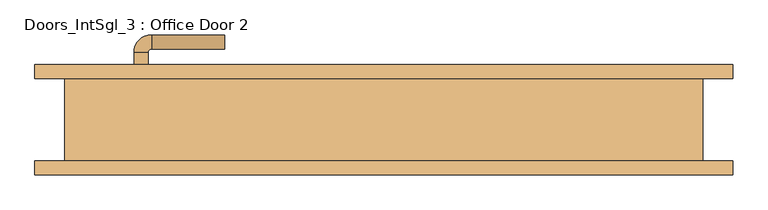
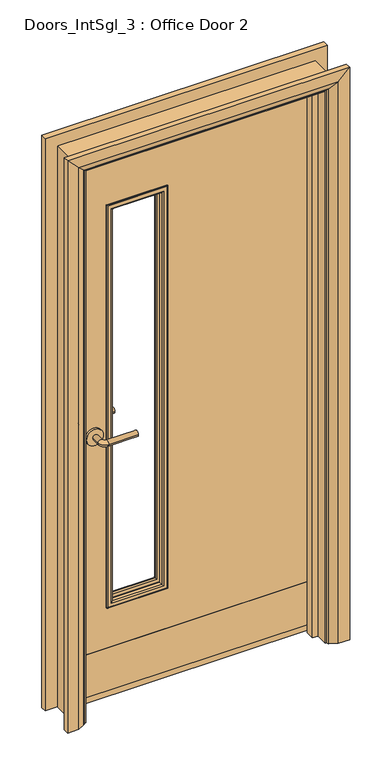
"""IFC4 building model written with IfcOpenShell, lengths in millimetres: door geometry, Doors_IntSgl_3 : Office Door 2."""

from ifc_helpers import new_model, si_unit, point, frame, frame_2d, origin, place, context, project, spatial, polyline, circle_curve, ellipse_curve, trimmed, segment, composite_curve, outline, extrude, faceted_brep, source, transform, mapped, element, save
from ifc_brep_helpers import plane_surface, cylinder_surface, revolved_surface, advanced_brep


def doors_intsgl_3_office_door_2_c34ecb24(model_context):
    return source(origin(), model_context, "Body", "SolidModel", [
        advanced_brep(
        [(-358.0, 13.0, 1000.0), (-338.0, 13.0, 1000.0), (-338.0, -17.0, 1000.0), (-358.0, -17.0, 1000.0), (-333.0, -22.0, 1000.0), (-333.0, -42.0, 1000.0), (-228.0, -42.0, 1000.0), (-228.0, -22.0, 1000.0)],
        [
            (0, 1, circle_curve(frame((-348.0, 13.0, 1000.0), z_axis=(0.0, 1.0, 0.0), x_axis=(1.0, 0.0, 0.0)), 10.0)),
            (1, 0, circle_curve(frame((-348.0, 13.0, 1000.0), z_axis=(0.0, 1.0, 0.0), x_axis=(1.0, 0.0, 0.0)), 10.0)),
            (1, 2),
            (2, 3, circle_curve(frame((-348.0, -17.0, 1000.0), z_axis=(0.0, 1.0, 0.0), x_axis=(1.0, 0.0, 0.0)), 10.0)),
            (3, 0),
            (3, 2, circle_curve(frame((-348.0, -17.0, 1000.0), z_axis=(0.0, 1.0, 0.0), x_axis=(1.0, 0.0, 0.0)), 10.0)),
            (4, 5, circle_curve(frame((-333.0, -32.0, 1000.0), z_axis=(-1.0, 0.0, 0.0), x_axis=(0.0, 1.0, 0.0)), 10.0)),
            (5, 3, circle_curve(frame((-333.0, -17.0, 1000.0), z_axis=(0.0, 0.0, -1.0), x_axis=(-1.0, 0.0, 0.0)), 25.0)),
            (2, 4, circle_curve(frame((-333.0, -17.0, 1000.0), z_axis=(0.0, 0.0, 1.0), x_axis=(-1.0, 0.0, 0.0)), 5.0)),
            (5, 4, circle_curve(frame((-333.0, -32.0, 1000.0), z_axis=(-1.0, 0.0, 0.0), x_axis=(0.0, 1.0, 0.0)), 10.0)),
            (6, 7, circle_curve(frame((-228.0, -32.0, 1000.0), z_axis=(1.0, 0.0, 0.0), x_axis=(0.0, 1.0, 0.0)), 10.0)),
            (7, 6, circle_curve(frame((-228.0, -32.0, 1000.0), z_axis=(1.0, 0.0, 0.0), x_axis=(0.0, 1.0, 0.0)), 10.0)),
            (4, 7),
            (6, 5),
        ],
        [
            plane_surface(frame((-348.0, 13.0, 1000.0), z_axis=(0.0, 1.0, 0.0), x_axis=(0.0, 0.0, 1.0))),
            cylinder_surface(frame((-348.0, 13.0, 1000.0), z_axis=(0.0, 1.0, 0.0), x_axis=(1.0, 0.0, 0.0)), 10.0),
            revolved_surface(trimmed(ellipse_curve(frame((-348.0, -17.0, 1000.0), z_axis=(0.0, -1.0, 0.0), x_axis=(1.0, 0.0, 0.0)), 10.0, 10.0), [point((-358.0, -17.0, 1000.0))], [point((-338.0, -17.0, 1000.0))], True, "CARTESIAN"), (-333.0, -17.0, 1000.0), (0.0, 0.0, -1.0)),
            revolved_surface(trimmed(ellipse_curve(frame((-348.0, -17.0, 1000.0), z_axis=(0.0, -1.0, 0.0), x_axis=(1.0, 0.0, 0.0)), 10.0, 10.0), [point((-338.0, -17.0, 1000.0))], [point((-358.0, -17.0, 1000.0))], True, "CARTESIAN"), (-333.0, -17.0, 1000.0), (0.0, 0.0, -1.0)),
            plane_surface(frame((-228.0, -32.0, 1000.0), z_axis=(1.0, 0.0, 0.0), x_axis=(0.0, 0.0, 1.0))),
            cylinder_surface(frame((-333.0, -32.0, 1000.0), z_axis=(-1.0, 0.0, 0.0), x_axis=(0.0, 1.0, 0.0)), 10.0),
        ],
        [
            (0, [[1, 2]]),
            (1, [[3, 4, 5, -2]]),
            (1, [[-5, 6, -3, -1]]),
            (2, [[7, 8, -4, 9]]),
            (3, [[10, -9, -6, -8]]),
            (4, [[11, 12]]),
            (5, [[13, -11, 14, -7]]),
            (5, [[-14, -12, -13, -10]]),
        ],
    ),
        extrude(outline(composite_curve([segment(trimmed(circle_curve(frame_2d((1000.0, -350.5)), 30.0), [point((1000.0, -380.5))], [point((1000.0, -320.5))], False, "CARTESIAN"), True, "CONTINUOUS"), segment(trimmed(circle_curve(frame_2d((1000.0, -350.5)), 30.0), [point((1000.0, -320.5))], [point((1000.0, -380.5))], False, "CARTESIAN"), True, "CONTINUOUS")], self_intersect=False)), frame((0.0, 13.0, 0.0), z_axis=(0.0, 1.0, 0.0), x_axis=(0.0, 0.0, 1.0)), (0.0, 0.0, 1.0), 8.0),
        advanced_brep(
        [(-358.0, 67.0, 1000.0), (-338.0, 67.0, 1000.0), (-358.0, 97.0, 1000.0), (-338.0, 97.0, 1000.0), (-333.0, 102.0, 1000.0), (-333.0, 122.0, 1000.0), (-228.0, 122.0, 1000.0), (-228.0, 102.0, 1000.0)],
        [
            (0, 1, circle_curve(frame((-348.0, 67.0, 1000.0), z_axis=(0.0, -1.0, 0.0), x_axis=(1.0, 0.0, 0.0)), 10.0)),
            (1, 0, circle_curve(frame((-348.0, 67.0, 1000.0), z_axis=(0.0, -1.0, 0.0), x_axis=(1.0, 0.0, 0.0)), 10.0)),
            (0, 2),
            (2, 3, circle_curve(frame((-348.0, 97.0, 1000.0), z_axis=(0.0, -1.0, 0.0), x_axis=(1.0, 0.0, 0.0)), 10.0)),
            (3, 1),
            (3, 2, circle_curve(frame((-348.0, 97.0, 1000.0), z_axis=(0.0, -1.0, 0.0), x_axis=(1.0, 0.0, 0.0)), 10.0)),
            (4, 3, circle_curve(frame((-333.0, 97.0, 1000.0), z_axis=(0.0, 0.0, 1.0), x_axis=(-1.0, 0.0, 0.0)), 5.0)),
            (2, 5, circle_curve(frame((-333.0, 97.0, 1000.0), z_axis=(0.0, 0.0, -1.0), x_axis=(-1.0, 0.0, 0.0)), 25.0)),
            (5, 4, circle_curve(frame((-333.0, 112.0, 1000.0), z_axis=(-1.0, 0.0, 0.0), x_axis=(0.0, -1.0, 0.0)), 10.0)),
            (4, 5, circle_curve(frame((-333.0, 112.0, 1000.0), z_axis=(-1.0, 0.0, 0.0), x_axis=(0.0, -1.0, 0.0)), 10.0)),
            (6, 7, circle_curve(frame((-228.0, 112.0, 1000.0), z_axis=(1.0, 0.0, 0.0), x_axis=(0.0, -1.0, 0.0)), 10.0)),
            (7, 6, circle_curve(frame((-228.0, 112.0, 1000.0), z_axis=(1.0, 0.0, 0.0), x_axis=(0.0, -1.0, 0.0)), 10.0)),
            (5, 6),
            (7, 4),
        ],
        [
            plane_surface(frame((-348.0, 67.0, 1000.0), z_axis=(0.0, -1.0, 0.0), x_axis=(0.0, 0.0, 1.0))),
            cylinder_surface(frame((-348.0, 67.0, 1000.0), z_axis=(0.0, -1.0, 0.0), x_axis=(1.0, 0.0, 0.0)), 10.0),
            revolved_surface(trimmed(ellipse_curve(frame((-348.0, 97.0, 1000.0), z_axis=(0.0, -1.0, 0.0), x_axis=(1.0, 0.0, 0.0)), 10.0, 10.0), [point((-358.0, 97.0, 1000.0))], [point((-338.0, 97.0, 1000.0))], True, "CARTESIAN"), (-333.0, 97.0, 1000.0), (0.0, 0.0, -1.0)),
            revolved_surface(trimmed(ellipse_curve(frame((-348.0, 97.0, 1000.0), z_axis=(0.0, -1.0, 0.0), x_axis=(1.0, 0.0, 0.0)), 10.0, 10.0), [point((-338.0, 97.0, 1000.0))], [point((-358.0, 97.0, 1000.0))], True, "CARTESIAN"), (-333.0, 97.0, 1000.0), (0.0, 0.0, -1.0)),
            plane_surface(frame((-228.0, 112.0, 1000.0), z_axis=(1.0, 0.0, 0.0), x_axis=(0.0, 0.0, 1.0))),
            cylinder_surface(frame((-333.0, 112.0, 1000.0), z_axis=(-1.0, 0.0, 0.0), x_axis=(0.0, -1.0, 0.0)), 10.0),
        ],
        [
            (0, [[1, 2]]),
            (1, [[-1, 3, 4, 5]]),
            (1, [[-2, -5, 6, -3]]),
            (2, [[7, -4, 8, 9]]),
            (3, [[-8, -6, -7, 10]]),
            (4, [[11, 12]]),
            (5, [[-9, 13, -12, 14]]),
            (5, [[-10, -14, -11, -13]]),
        ],
    ),
        extrude(outline(composite_curve([segment(trimmed(circle_curve(frame_2d((1000.0, -350.5)), 30.0), [point((1000.0, -380.5))], [point((1000.0, -320.5))], False, "CARTESIAN"), True, "CONTINUOUS"), segment(trimmed(circle_curve(frame_2d((1000.0, -350.5)), 30.0), [point((1000.0, -320.5))], [point((1000.0, -380.5))], False, "CARTESIAN"), True, "CONTINUOUS")], self_intersect=False)), frame((0.0, 59.0, 0.0), z_axis=(0.0, 1.0, 0.0), x_axis=(0.0, 0.0, 1.0)), (0.0, 0.0, 1.0), 8.0),
        extrude(outline(polyline([(2068.0, -423.0), (8.0, -423.0), (8.0, 423.0), (2068.0, 423.0), (2068.0, -423.0)]), holes=[polyline([(1843.0, -98.0), (350.0, -98.0), (350.0, -298.0), (1843.0, -298.0), (1843.0, -98.0)])]), frame((0.0, 21.0, 0.0), z_axis=(0.0, 1.0, 0.0), x_axis=(0.0, 0.0, 1.0)), (0.0, 0.0, 1.0), 38.0),
        advanced_brep(
        [(500.0, 79.0, 0.0), (500.0, 59.0, 0.0), (430.0, 59.0, 0.0), (434.0, 65.0, 0.0), (460.0, 79.0, 0.0), (500.0, 79.0, 2145.0), (500.0, 59.0, 2145.0), (-500.0, 59.0, 2145.0), (-500.0, 59.0, 0.0), (-430.0, 59.0, 0.0), (-430.0, 59.0, 2075.0), (430.0, 59.0, 2075.0), (434.0, 65.0, 2079.0), (460.0, 79.0, 2105.0), (-460.0, 79.0, 2105.0), (-460.0, 79.0, 0.0), (-500.0, 79.0, 0.0), (-500.0, 79.0, 2145.0), (-434.0, 65.0, 0.0), (-434.0, 65.0, 2079.0)],
        [
            (0, 1),
            (1, 2),
            (2, 3, circle_curve(frame((438.0, 58.0, 0.0), z_axis=(0.0, 0.0, -1.0), x_axis=(1.0, 0.0, 0.0)), 8.0622577)),
            (3, 4),
            (4, 0),
            (0, 5),
            (5, 6),
            (6, 1),
            (6, 7),
            (7, 8),
            (8, 9),
            (9, 10),
            (10, 11),
            (11, 2),
            (11, 12, ellipse_curve(frame((438.0, 58.0, 2083.0), z_axis=(0.7071067811865475, 0.0, -0.7071067811865475), x_axis=(-0.7071067811865474, 0.0, -0.7071067811865476)), 11.4017543, 8.0622577)),
            (12, 3),
            (12, 13),
            (13, 4),
            (13, 14),
            (14, 15),
            (15, 16),
            (16, 17),
            (17, 5),
            (7, 17),
            (16, 8),
            (15, 18),
            (18, 9, circle_curve(frame((-438.0, 58.0, 0.0), z_axis=(0.0, 0.0, -1.0), x_axis=(-1.0, 0.0, 0.0)), 8.0622577)),
            (19, 10, ellipse_curve(frame((-438.0, 58.0, 2083.0), z_axis=(-0.7071067811865475, 0.0, -0.7071067811865475), x_axis=(-0.7071067811865474, 0.0, 0.7071067811865476)), 11.4017543, 8.0622577)),
            (18, 19),
            (14, 19),
            (19, 12),
        ],
        [
            plane_surface(frame((430.0, 59.0, 0.0), z_axis=(0.0, 0.0, -1.0), x_axis=(0.0, -1.0, 0.0))),
            plane_surface(frame((500.0, 79.0, 0.0), z_axis=(1.0, 0.0, 0.0), x_axis=(0.0, 0.0, 1.0))),
            plane_surface(frame((500.0, 59.0, 0.0), z_axis=(0.0, -1.0, 0.0), x_axis=(0.0, 0.0, 1.0))),
            cylinder_surface(frame((438.0, 58.0, 0.0), z_axis=(0.0, 0.0, -1.0), x_axis=(1.0, 0.0, 0.0)), 8.0622577),
            plane_surface(frame((434.0, 65.0, 0.0), z_axis=(-0.4740998230350126, 0.8804710999221779, 0.0), x_axis=(0.0, 0.0, 1.0))),
            plane_surface(frame((460.0, 79.0, 0.0), z_axis=(0.0, 1.0, 0.0), x_axis=(0.0, 0.0, 1.0))),
            plane_surface(frame((-500.0, 79.0, 2145.0), z_axis=(-1.0, 0.0, 0.0), x_axis=(0.0, 0.0, -1.0))),
            plane_surface(frame((-430.0, 59.0, 0.0), z_axis=(0.0, 0.0, -1.0), x_axis=(0.0, -1.0, 0.0))),
            cylinder_surface(frame((-438.0, 58.0, 2075.0), z_axis=(0.0, 0.0, 1.0), x_axis=(-1.0, 0.0, 0.0)), 8.0622577),
            plane_surface(frame((-434.0, 65.0, 2079.0), z_axis=(0.4740998230350183, 0.8804710999221749, 0.0), x_axis=(0.0, 0.0, -1.0))),
            plane_surface(frame((500.0, 79.0, 2145.0), z_axis=(0.0, 0.0, 1.0), x_axis=(-1.0, 0.0, 0.0))),
            cylinder_surface(frame((430.0, 58.0, 2083.0), z_axis=(1.0, 0.0, 0.0), x_axis=(0.0, 0.0, 1.0)), 8.0622577),
            plane_surface(frame((434.0, 65.0, 2079.0), z_axis=(0.0, 0.8804710999221763, -0.4740998230350154), x_axis=(-1.0, 0.0, 0.0))),
        ],
        [
            (0, [[1, 2, 3, 4, 5]]),
            (1, [[-1, 6, 7, 8]]),
            (2, [[-2, -8, 9, 10, 11, 12, 13, 14]]),
            (3, [[-3, -14, 15, 16]]),
            (4, [[-4, -16, 17, 18]]),
            (5, [[-5, -18, 19, 20, 21, 22, 23, -6]]),
            (6, [[24, -22, 25, -10]]),
            (7, [[-21, 26, 27, -11, -25]]),
            (8, [[28, -12, -27, 29]]),
            (9, [[30, -29, -26, -20]]),
            (10, [[-7, -23, -24, -9]]),
            (11, [[-15, -13, -28, 31]]),
            (12, [[-17, -31, -30, -19]]),
        ],
    ),
        extrude(outline(polyline([(0.0, -425.0), (0.0, -406.0), (2051.0, -406.0), (2051.0, 406.0), (0.0, 406.0), (0.0, 425.0), (2070.0, 425.0), (2070.0, -425.0), (0.0, -425.0)])), frame((0.0, -13.0, 0.0), z_axis=(0.0, 1.0, 0.0), x_axis=(0.0, 0.0, 1.0)), (0.0, 0.0, 1.0), 32.0),
        advanced_brep(
        [(-500.0, -79.0, 0.0), (-500.0, -59.0, 0.0), (-430.0, -59.0, 0.0), (-434.0, -65.0, 0.0), (-460.0, -79.0, 0.0), (-500.0, -79.0, 2145.0), (-500.0, -59.0, 2145.0), (-430.0, -59.0, 2075.0), (-434.0, -65.0, 2079.0), (-460.0, -79.0, 2105.0), (500.0, -79.0, 0.0), (460.0, -79.0, 0.0), (434.0, -65.0, 0.0), (430.0, -59.0, 0.0), (500.0, -59.0, 0.0), (500.0, -79.0, 2145.0), (460.0, -79.0, 2105.0), (434.0, -65.0, 2079.0), (430.0, -59.0, 2075.0), (500.0, -59.0, 2145.0)],
        [
            (0, 1),
            (1, 2),
            (2, 3, circle_curve(frame((-438.0, -58.0, 0.0), z_axis=(0.0, 0.0, -1.0), x_axis=(-1.0, 0.0, 0.0)), 8.0622577)),
            (3, 4),
            (4, 0),
            (0, 5),
            (5, 6),
            (6, 1),
            (6, 7),
            (7, 2),
            (7, 8, ellipse_curve(frame((-438.0, -58.0, 2083.0), z_axis=(-0.7071067811865475, 0.0, -0.7071067811865475), x_axis=(0.7071067811865474, 0.0, -0.7071067811865476)), 11.4017543, 8.0622577)),
            (8, 3),
            (8, 9),
            (9, 4),
            (9, 5),
            (10, 11),
            (11, 12),
            (12, 13, circle_curve(frame((438.0, -58.0, 0.0), z_axis=(0.0, 0.0, -1.0), x_axis=(1.0, 0.0, 0.0)), 8.0622577)),
            (13, 14),
            (14, 10),
            (15, 16),
            (16, 11),
            (10, 15),
            (16, 17),
            (17, 12),
            (17, 18, ellipse_curve(frame((438.0, -58.0, 2083.0), z_axis=(0.7071067811865475, 0.0, -0.7071067811865475), x_axis=(0.7071067811865474, 0.0, 0.7071067811865476)), 11.4017543, 8.0622577)),
            (18, 13),
            (18, 19),
            (19, 14),
            (19, 15),
            (5, 15),
            (19, 6),
            (18, 7),
            (17, 8),
            (16, 9),
        ],
        [
            plane_surface(frame((-430.0, -131.8010989, 0.0), z_axis=(0.0, 0.0, -1.0), x_axis=(1.0, 0.0, 0.0))),
            plane_surface(frame((-500.0, -79.0, 0.0), z_axis=(-1.0, 0.0, 0.0), x_axis=(0.0, 0.0, 1.0))),
            plane_surface(frame((-500.0, -59.0, 0.0), z_axis=(0.0, 1.0, 0.0), x_axis=(0.0, 0.0, 1.0))),
            cylinder_surface(frame((-438.0, -58.0, 0.0), z_axis=(0.0, 0.0, -1.0), x_axis=(-1.0, 0.0, 0.0)), 8.0622577),
            plane_surface(frame((-434.0, -65.0, 0.0), z_axis=(0.4740998230350183, -0.8804710999221749, 0.0), x_axis=(0.0, 0.0, 1.0))),
            plane_surface(frame((-460.0, -79.0, 0.0), z_axis=(0.0, -1.0, 0.0), x_axis=(0.0, 0.0, 1.0))),
            plane_surface(frame((430.0, -131.8010989, 0.0), z_axis=(0.0, 0.0, -1.0), x_axis=(-1.0, 0.0, 0.0))),
            plane_surface(frame((460.0, -79.0, 2105.0), z_axis=(0.0, -1.0, 0.0), x_axis=(0.0, 0.0, -1.0))),
            plane_surface(frame((434.0, -65.0, 2079.0), z_axis=(-0.4740998230350183, -0.8804710999221749, 0.0), x_axis=(0.0, 0.0, -1.0))),
            cylinder_surface(frame((438.0, -58.0, 2075.0), z_axis=(0.0, 0.0, 1.0), x_axis=(1.0, 0.0, 0.0)), 8.0622577),
            plane_surface(frame((500.0, -59.0, 2145.0), z_axis=(0.0, 1.0, 0.0), x_axis=(0.0, 0.0, -1.0))),
            plane_surface(frame((500.0, -79.0, 2145.0), z_axis=(1.0, 0.0, 0.0), x_axis=(0.0, 0.0, -1.0))),
            plane_surface(frame((-500.0, -79.0, 2145.0), z_axis=(0.0, 0.0, 1.0), x_axis=(1.0, 0.0, 0.0))),
            plane_surface(frame((-500.0, -59.0, 2145.0), z_axis=(0.0, 1.0, 0.0), x_axis=(1.0, 0.0, 0.0))),
            cylinder_surface(frame((-430.0, -58.0, 2083.0), z_axis=(-1.0, 0.0, 0.0), x_axis=(0.0, 0.0, 1.0)), 8.0622577),
            plane_surface(frame((-434.0, -65.0, 2079.0), z_axis=(0.0, -0.8804710999221749, -0.4740998230350183), x_axis=(1.0, 0.0, 0.0))),
            plane_surface(frame((-460.0, -79.0, 2105.0), z_axis=(0.0, -1.0, 0.0), x_axis=(1.0, 0.0, 0.0))),
        ],
        [
            (0, [[1, 2, 3, 4, 5]]),
            (1, [[-1, 6, 7, 8]]),
            (2, [[-2, -8, 9, 10]]),
            (3, [[-3, -10, 11, 12]]),
            (4, [[-4, -12, 13, 14]]),
            (5, [[-5, -14, 15, -6]]),
            (6, [[16, 17, 18, 19, 20]]),
            (7, [[21, 22, -16, 23]]),
            (8, [[24, 25, -17, -22]]),
            (9, [[26, 27, -18, -25]]),
            (10, [[28, 29, -19, -27]]),
            (11, [[30, -23, -20, -29]]),
            (12, [[-7, 31, -30, 32]]),
            (13, [[-9, -32, -28, 33]]),
            (14, [[-11, -33, -26, 34]]),
            (15, [[-13, -34, -24, 35]]),
            (16, [[-15, -35, -21, -31]]),
        ],
    ),
        faceted_brep([(-425.0, 59.0, 0.0), (-425.0, -59.0, 0.0), (-457.0, -59.0, 0.0), (-457.0, 59.0, 0.0), (-425.0, 59.0, 2070.0), (-425.0, -59.0, 2070.0), (-457.0, -59.0, 2102.0), (-457.0, 59.0, 2102.0), (425.0, 59.0, 0.0), (457.0, 59.0, 0.0), (457.0, -59.0, 0.0), (425.0, -59.0, 0.0), (425.0, 59.0, 2070.0), (457.0, 59.0, 2102.0), (457.0, -59.0, 2102.0), (425.0, -59.0, 2070.0)], [[[0, 1, 2, 3]], [[1, 0, 4, 5]], [[2, 1, 5, 6]], [[3, 2, 6, 7]], [[0, 3, 7, 4]], [[8, 9, 10, 11]], [[12, 13, 9, 8]], [[13, 14, 10, 9]], [[14, 15, 11, 10]], [[15, 12, 8, 11]], [[5, 4, 12, 15]], [[6, 5, 15, 14]], [[7, 6, 14, 13]], [[4, 7, 13, 12]]]),
        advanced_brep(
        [(-98.0, 31.0, 1843.0), (-98.0, 21.0, 1843.0), (-98.0, 21.0, 350.0), (-98.0, 31.0, 350.0), (-110.0, 20.0, 1831.0), (-110.0, 31.0, 1831.0), (-110.0, 31.0, 362.0), (-110.0, 20.0, 362.0), (-105.0, 15.0, 1836.0), (-105.0, 15.0, 357.0), (-90.0, 17.0, 1851.0), (-92.0, 15.0, 1849.0), (-92.0, 15.0, 344.0), (-90.0, 17.0, 342.0), (-90.0, 21.0, 1851.0), (-90.0, 21.0, 342.0), (-298.0, 21.0, 350.0), (-298.0, 31.0, 350.0), (-286.0, 31.0, 362.0), (-286.0, 20.0, 362.0), (-291.0, 15.0, 357.0), (-304.0, 15.0, 344.0), (-306.0, 17.0, 342.0), (-306.0, 21.0, 342.0), (-298.0, 21.0, 1843.0), (-298.0, 31.0, 1843.0), (-286.0, 31.0, 1831.0), (-286.0, 20.0, 1831.0), (-291.0, 15.0, 1836.0), (-304.0, 15.0, 1849.0), (-306.0, 17.0, 1851.0), (-306.0, 21.0, 1851.0)],
        [
            (0, 1),
            (1, 2),
            (2, 3),
            (3, 0),
            (4, 5),
            (5, 6),
            (6, 7),
            (7, 4),
            (8, 4, ellipse_curve(frame((-105.0, 20.0, 1836.0), z_axis=(0.7071067811865475, 0.0, -0.7071067811865475), x_axis=(0.7071067811865474, 0.0, 0.7071067811865476)), 7.0710678, 5.0)),
            (7, 9, ellipse_curve(frame((-105.0, 20.0, 357.0), z_axis=(0.7071067811865475, 0.0, 0.7071067811865475), x_axis=(-0.7071067811865474, 0.0, 0.7071067811865476)), 7.0710678, 5.0)),
            (9, 8),
            (10, 11, ellipse_curve(frame((-92.0, 17.0, 1849.0), z_axis=(0.7071067811865475, 0.0, -0.7071067811865475), x_axis=(0.7071067811865474, 0.0, 0.7071067811865476)), 2.8284271, 2.0)),
            (11, 12),
            (12, 13, ellipse_curve(frame((-92.0, 17.0, 344.0), z_axis=(0.7071067811865475, 0.0, 0.7071067811865475), x_axis=(-0.7071067811865474, 0.0, 0.7071067811865476)), 2.8284271, 2.0)),
            (13, 10),
            (14, 10),
            (13, 15),
            (15, 14),
            (2, 16),
            (16, 17),
            (17, 3),
            (6, 18),
            (18, 19),
            (19, 7),
            (19, 20, ellipse_curve(frame((-291.0, 20.0, 357.0), z_axis=(0.7071067811865475, 0.0, -0.7071067811865475), x_axis=(0.7071067811865476, 0.0, 0.7071067811865474)), 7.0710678, 5.0)),
            (20, 9),
            (12, 21),
            (21, 22, ellipse_curve(frame((-304.0, 17.0, 344.0), z_axis=(0.7071067811865475, 0.0, -0.7071067811865475), x_axis=(0.7071067811865476, 0.0, 0.7071067811865474)), 2.8284271, 2.0)),
            (22, 13),
            (22, 23),
            (23, 15),
            (16, 24),
            (24, 25),
            (25, 17),
            (18, 26),
            (26, 27),
            (27, 19),
            (27, 28, ellipse_curve(frame((-291.0, 20.0, 1836.0), z_axis=(-0.7071067811865475, 0.0, -0.7071067811865475), x_axis=(0.7071067811865474, 0.0, -0.7071067811865476)), 7.0710678, 5.0)),
            (28, 20),
            (21, 29),
            (29, 30, ellipse_curve(frame((-304.0, 17.0, 1849.0), z_axis=(-0.7071067811865475, 0.0, -0.7071067811865475), x_axis=(0.7071067811865474, 0.0, -0.7071067811865476)), 2.8284271, 2.0)),
            (30, 22),
            (30, 31),
            (31, 23),
            (31, 14),
            (1, 24),
            (0, 25),
            (5, 26),
            (4, 27),
            (8, 28),
            (11, 29),
            (10, 30),
        ],
        [
            plane_surface(frame((-98.0, 21.0, 1843.0), z_axis=(1.0, 0.0, 0.0), x_axis=(0.0, 0.0, -1.0))),
            plane_surface(frame((-110.0, 31.0, 1831.0), z_axis=(-1.0, 0.0, 0.0), x_axis=(0.0, 0.0, -1.0))),
            cylinder_surface(frame((-105.0, 20.0, 1843.0), z_axis=(0.0, 0.0, 1.0), x_axis=(1.0, 0.0, 0.0)), 5.0),
            cylinder_surface(frame((-92.0, 17.0, 1843.0), z_axis=(0.0, 0.0, 1.0), x_axis=(1.0, 0.0, 0.0)), 2.0),
            plane_surface(frame((-90.0, 17.0, 1851.0), z_axis=(1.0, 0.0, 0.0), x_axis=(0.0, 0.0, -1.0))),
            plane_surface(frame((-98.0, 21.0, 350.0), z_axis=(0.0, 0.0, -1.0), x_axis=(-1.0, 0.0, 0.0))),
            plane_surface(frame((-110.0, 31.0, 362.0), z_axis=(0.0, 0.0, 1.0), x_axis=(-1.0, 0.0, 0.0))),
            cylinder_surface(frame((-98.0, 20.0, 357.0), z_axis=(1.0, 0.0, 0.0), x_axis=(0.0, 0.0, -1.0)), 5.0),
            cylinder_surface(frame((-98.0, 17.0, 344.0), z_axis=(1.0, 0.0, 0.0), x_axis=(0.0, 0.0, -1.0)), 2.0),
            plane_surface(frame((-90.0, 17.0, 342.0), z_axis=(0.0, 0.0, -1.0), x_axis=(-1.0, 0.0, 0.0))),
            plane_surface(frame((-298.0, 21.0, 350.0), z_axis=(-1.0, 0.0, 0.0), x_axis=(0.0, 0.0, 1.0))),
            plane_surface(frame((-286.0, 31.0, 362.0), z_axis=(1.0, 0.0, 0.0), x_axis=(0.0, 0.0, 1.0))),
            cylinder_surface(frame((-291.0, 20.0, 350.0), z_axis=(0.0, 0.0, -1.0), x_axis=(-1.0, 0.0, 0.0)), 5.0),
            cylinder_surface(frame((-304.0, 17.0, 350.0), z_axis=(0.0, 0.0, -1.0), x_axis=(-1.0, 0.0, 0.0)), 2.0),
            plane_surface(frame((-306.0, 17.0, 342.0), z_axis=(-1.0, 0.0, 0.0), x_axis=(0.0, 0.0, 1.0))),
            plane_surface(frame((-306.0, 21.0, 1851.0), z_axis=(0.0, 1.0, 0.0), x_axis=(1.0, 0.0, 0.0))),
            plane_surface(frame((-298.0, 21.0, 1843.0), z_axis=(0.0, 0.0, 1.0), x_axis=(1.0, 0.0, 0.0))),
            plane_surface(frame((-298.0, 31.0, 1843.0), z_axis=(0.0, 1.0, 0.0), x_axis=(1.0, 0.0, 0.0))),
            plane_surface(frame((-286.0, 31.0, 1831.0), z_axis=(0.0, 0.0, -1.0), x_axis=(1.0, 0.0, 0.0))),
            cylinder_surface(frame((-298.0, 20.0, 1836.0), z_axis=(-1.0, 0.0, 0.0), x_axis=(0.0, 0.0, 1.0)), 5.0),
            plane_surface(frame((-291.0, 15.0, 1836.0), z_axis=(0.0, -1.0, 0.0), x_axis=(1.0, 0.0, 0.0))),
            cylinder_surface(frame((-298.0, 17.0, 1849.0), z_axis=(-1.0, 0.0, 0.0), x_axis=(0.0, 0.0, 1.0)), 2.0),
            plane_surface(frame((-306.0, 17.0, 1851.0), z_axis=(0.0, 0.0, 1.0), x_axis=(1.0, 0.0, 0.0))),
        ],
        [
            (0, [[1, 2, 3, 4]]),
            (1, [[5, 6, 7, 8]]),
            (2, [[9, -8, 10, 11]]),
            (3, [[12, 13, 14, 15]]),
            (4, [[16, -15, 17, 18]]),
            (5, [[-3, 19, 20, 21]]),
            (6, [[-7, 22, 23, 24]]),
            (7, [[-10, -24, 25, 26]]),
            (8, [[-14, 27, 28, 29]]),
            (9, [[-17, -29, 30, 31]]),
            (10, [[-20, 32, 33, 34]]),
            (11, [[-23, 35, 36, 37]]),
            (12, [[-25, -37, 38, 39]]),
            (13, [[-28, 40, 41, 42]]),
            (14, [[-30, -42, 43, 44]]),
            (15, [[-31, -44, 45, -18], [46, -32, -19, -2]]),
            (16, [[-33, -46, -1, 47]]),
            (17, [[-21, -34, -47, -4], [48, -35, -22, -6]]),
            (18, [[-36, -48, -5, 49]]),
            (19, [[-38, -49, -9, 50]]),
            (20, [[51, -40, -27, -13], [-26, -39, -50, -11]]),
            (21, [[-41, -51, -12, 52]]),
            (22, [[-43, -52, -16, -45]]),
        ],
    ),
        advanced_brep(
        [(-90.0, 63.0, 1851.0), (-90.0, 59.0, 1851.0), (-90.0, 59.0, 342.0), (-90.0, 63.0, 342.0), (-92.0, 65.0, 1849.0), (-92.0, 65.0, 344.0), (-110.0, 60.0, 1831.0), (-105.0, 65.0, 1836.0), (-105.0, 65.0, 357.0), (-110.0, 60.0, 362.0), (-110.0, 49.0, 1831.0), (-110.0, 49.0, 362.0), (-98.0, 59.0, 1843.0), (-98.0, 49.0, 1843.0), (-98.0, 49.0, 350.0), (-98.0, 59.0, 350.0), (-306.0, 59.0, 342.0), (-306.0, 63.0, 342.0), (-304.0, 65.0, 344.0), (-291.0, 65.0, 357.0), (-286.0, 60.0, 362.0), (-286.0, 49.0, 362.0), (-298.0, 49.0, 350.0), (-298.0, 59.0, 350.0), (-306.0, 59.0, 1851.0), (-306.0, 63.0, 1851.0), (-304.0, 65.0, 1849.0), (-291.0, 65.0, 1836.0), (-286.0, 60.0, 1831.0), (-286.0, 49.0, 1831.0), (-298.0, 49.0, 1843.0), (-298.0, 59.0, 1843.0)],
        [
            (0, 1),
            (1, 2),
            (2, 3),
            (3, 0),
            (4, 0, ellipse_curve(frame((-92.0, 63.0, 1849.0), z_axis=(0.7071067811865475, 0.0, -0.7071067811865475), x_axis=(0.7071067811865474, 0.0, 0.7071067811865476)), 2.8284271, 2.0)),
            (3, 5, ellipse_curve(frame((-92.0, 63.0, 344.0), z_axis=(0.7071067811865475, 0.0, 0.7071067811865475), x_axis=(-0.7071067811865474, 0.0, 0.7071067811865476)), 2.8284271, 2.0)),
            (5, 4),
            (6, 7, ellipse_curve(frame((-105.0, 60.0, 1836.0), z_axis=(0.7071067811865475, 0.0, -0.7071067811865475), x_axis=(0.7071067811865474, 0.0, 0.7071067811865476)), 7.0710678, 5.0)),
            (7, 8),
            (8, 9, ellipse_curve(frame((-105.0, 60.0, 357.0), z_axis=(0.7071067811865475, 0.0, 0.7071067811865475), x_axis=(-0.7071067811865474, 0.0, 0.7071067811865476)), 7.0710678, 5.0)),
            (9, 6),
            (10, 6),
            (9, 11),
            (11, 10),
            (12, 13),
            (13, 14),
            (14, 15),
            (15, 12),
            (2, 16),
            (16, 17),
            (17, 3),
            (17, 18, ellipse_curve(frame((-304.0, 63.0, 344.0), z_axis=(0.7071067811865475, 0.0, -0.7071067811865475), x_axis=(0.7071067811865476, 0.0, 0.7071067811865474)), 2.8284271, 2.0)),
            (18, 5),
            (8, 19),
            (19, 20, ellipse_curve(frame((-291.0, 60.0, 357.0), z_axis=(0.7071067811865475, 0.0, -0.7071067811865475), x_axis=(0.7071067811865476, 0.0, 0.7071067811865474)), 7.0710678, 5.0)),
            (20, 9),
            (20, 21),
            (21, 11),
            (14, 22),
            (22, 23),
            (23, 15),
            (16, 24),
            (24, 25),
            (25, 17),
            (25, 26, ellipse_curve(frame((-304.0, 63.0, 1849.0), z_axis=(-0.7071067811865475, 0.0, -0.7071067811865475), x_axis=(0.7071067811865474, 0.0, -0.7071067811865476)), 2.8284271, 2.0)),
            (26, 18),
            (19, 27),
            (27, 28, ellipse_curve(frame((-291.0, 60.0, 1836.0), z_axis=(-0.7071067811865475, 0.0, -0.7071067811865475), x_axis=(0.7071067811865474, 0.0, -0.7071067811865476)), 7.0710678, 5.0)),
            (28, 20),
            (28, 29),
            (29, 21),
            (22, 30),
            (30, 31),
            (31, 23),
            (24, 1),
            (0, 25),
            (4, 26),
            (7, 27),
            (6, 28),
            (10, 29),
            (13, 30),
            (12, 31),
        ],
        [
            plane_surface(frame((-90.0, 59.0, 1851.0), z_axis=(1.0, 0.0, 0.0), x_axis=(0.0, 0.0, -1.0))),
            cylinder_surface(frame((-92.0, 63.0, 1843.0), z_axis=(0.0, 0.0, 1.0), x_axis=(1.0, 0.0, 0.0)), 2.0),
            cylinder_surface(frame((-105.0, 60.0, 1843.0), z_axis=(0.0, 0.0, 1.0), x_axis=(1.0, 0.0, 0.0)), 5.0),
            plane_surface(frame((-110.0, 60.0, 1831.0), z_axis=(-1.0, 0.0, 0.0), x_axis=(0.0, 0.0, -1.0))),
            plane_surface(frame((-98.0, 49.0, 1843.0), z_axis=(1.0, 0.0, 0.0), x_axis=(0.0, 0.0, -1.0))),
            plane_surface(frame((-90.0, 59.0, 342.0), z_axis=(0.0, 0.0, -1.0), x_axis=(-1.0, 0.0, 0.0))),
            cylinder_surface(frame((-98.0, 63.0, 344.0), z_axis=(1.0, 0.0, 0.0), x_axis=(0.0, 0.0, -1.0)), 2.0),
            cylinder_surface(frame((-98.0, 60.0, 357.0), z_axis=(1.0, 0.0, 0.0), x_axis=(0.0, 0.0, -1.0)), 5.0),
            plane_surface(frame((-110.0, 60.0, 362.0), z_axis=(0.0, 0.0, 1.0), x_axis=(-1.0, 0.0, 0.0))),
            plane_surface(frame((-98.0, 49.0, 350.0), z_axis=(0.0, 0.0, -1.0), x_axis=(-1.0, 0.0, 0.0))),
            plane_surface(frame((-306.0, 59.0, 342.0), z_axis=(-1.0, 0.0, 0.0), x_axis=(0.0, 0.0, 1.0))),
            cylinder_surface(frame((-304.0, 63.0, 350.0), z_axis=(0.0, 0.0, -1.0), x_axis=(-1.0, 0.0, 0.0)), 2.0),
            cylinder_surface(frame((-291.0, 60.0, 350.0), z_axis=(0.0, 0.0, -1.0), x_axis=(-1.0, 0.0, 0.0)), 5.0),
            plane_surface(frame((-286.0, 60.0, 362.0), z_axis=(1.0, 0.0, 0.0), x_axis=(0.0, 0.0, 1.0))),
            plane_surface(frame((-298.0, 49.0, 350.0), z_axis=(-1.0, 0.0, 0.0), x_axis=(0.0, 0.0, 1.0))),
            plane_surface(frame((-306.0, 59.0, 1851.0), z_axis=(0.0, 0.0, 1.0), x_axis=(1.0, 0.0, 0.0))),
            cylinder_surface(frame((-298.0, 63.0, 1849.0), z_axis=(-1.0, 0.0, 0.0), x_axis=(0.0, 0.0, 1.0)), 2.0),
            plane_surface(frame((-304.0, 65.0, 1849.0), z_axis=(0.0, 1.0, 0.0), x_axis=(1.0, 0.0, 0.0))),
            cylinder_surface(frame((-298.0, 60.0, 1836.0), z_axis=(-1.0, 0.0, 0.0), x_axis=(0.0, 0.0, 1.0)), 5.0),
            plane_surface(frame((-286.0, 60.0, 1831.0), z_axis=(0.0, 0.0, -1.0), x_axis=(1.0, 0.0, 0.0))),
            plane_surface(frame((-286.0, 49.0, 1831.0), z_axis=(0.0, -1.0, 0.0), x_axis=(1.0, 0.0, 0.0))),
            plane_surface(frame((-298.0, 49.0, 1843.0), z_axis=(0.0, 0.0, 1.0), x_axis=(1.0, 0.0, 0.0))),
            plane_surface(frame((-298.0, 59.0, 1843.0), z_axis=(0.0, -1.0, 0.0), x_axis=(1.0, 0.0, 0.0))),
        ],
        [
            (0, [[1, 2, 3, 4]]),
            (1, [[5, -4, 6, 7]]),
            (2, [[8, 9, 10, 11]]),
            (3, [[12, -11, 13, 14]]),
            (4, [[15, 16, 17, 18]]),
            (5, [[-3, 19, 20, 21]]),
            (6, [[-6, -21, 22, 23]]),
            (7, [[-10, 24, 25, 26]]),
            (8, [[-13, -26, 27, 28]]),
            (9, [[-17, 29, 30, 31]]),
            (10, [[-20, 32, 33, 34]]),
            (11, [[-22, -34, 35, 36]]),
            (12, [[-25, 37, 38, 39]]),
            (13, [[-27, -39, 40, 41]]),
            (14, [[-30, 42, 43, 44]]),
            (15, [[-33, 45, -1, 46]]),
            (16, [[-35, -46, -5, 47]]),
            (17, [[-23, -36, -47, -7], [48, -37, -24, -9]]),
            (18, [[-38, -48, -8, 49]]),
            (19, [[-40, -49, -12, 50]]),
            (20, [[51, -42, -29, -16], [-28, -41, -50, -14]]),
            (21, [[-43, -51, -15, 52]]),
            (22, [[-45, -32, -19, -2], [-31, -44, -52, -18]]),
        ],
    ),
        extrude(outline(polyline([(-405.3572816, 60.722509), (406.0, 60.722509), (406.0, 19.0), (-405.3572816, 19.0), (-405.3572816, 60.722509)])), frame((0.0, 0.0, 30.0), z_axis=(0.0, 0.0, 1.0), x_axis=(1.0, 0.0, 0.0)), (0.0, 0.0, 1.0), 160.0),
    ])


if __name__ == "__main__":
    model = new_model("IFC4")
    model_context = context("Model", 3, world=origin())
    ifc_project = project(units=[si_unit("LENGTHUNIT", "METRE", prefix="MILLI")], contexts=[model_context])
    site = spatial("IfcSite", under=ifc_project)
    building = spatial("IfcBuilding", under=site)
    placement = place(None, origin())
    doors_intsgl_3_office_door_2_shape = doors_intsgl_3_office_door_2_c34ecb24(model_context)
    element("IfcDoor", 1, ObjectType="Doors_IntSgl_3 : Office Door 2", at=placement, inside=building, context=model_context, shape_type="MappedRepresentation", body=[
        mapped(doors_intsgl_3_office_door_2_shape, transform((0.0, 0.0, 0.0), x_axis=(1.0, 0.0, 0.0), y_axis=(0.0, 1.0, 0.0), z_axis=(0.0, 0.0, 1.0))),
    ])
    save(model, "model.ifc")
